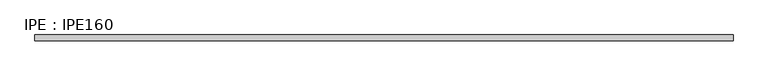
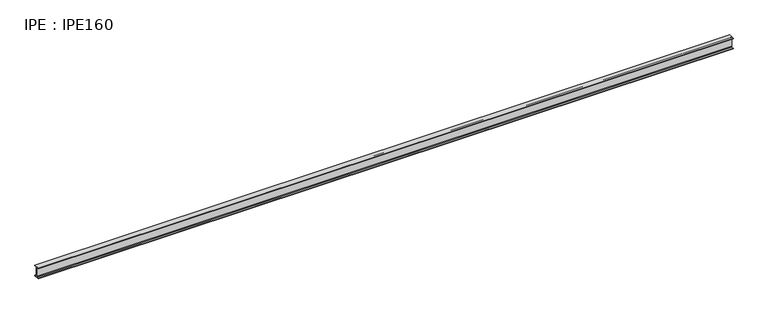
"""IFC4 building model written with IfcOpenShell, lengths in millimetres: beam geometry, IPE : IPE160."""

import ifcopenshell
import ifcopenshell.guid

model = None  # the IFC model being written
_history = None  # IfcOwnerHistory: only IFC2X3 demands one
_inside = {}  # id of a spatial element -> (the spatial element, [elements in it])
_under = {}  # id of a project, library or spatial element -> (it, [spatial elements below it])
_declared = {}  # id of a project -> (the project, [libraries it declares])
_typed = {}  # id of a type object -> (the type object, [elements of that type])
_made_of = {}  # id of a material, layer set ... -> (it, [elements and type objects made of it])


def new_model(schema):
    """Start an empty IFC model of exactly this schema.

    Asked for "IFC4X3", IfcOpenShell would pick the latest addendum, in which some entities
    have other attributes; the version numbers below select the first issue.
    IFC2X3 requires an IfcOwnerHistory on every rooted entity: one is made here for all.
    """
    global model, _history
    if schema == "IFC4X3":
        model = ifcopenshell.file(schema_version=(4, 3, 0, 0))
    else:
        model = ifcopenshell.file(schema=schema)
    _inside.clear()
    _under.clear()
    _declared.clear()
    _typed.clear()
    _made_of.clear()
    _history = None
    if model.schema == "IFC2X3":
        org = make("IfcOrganization", Name="unknown")
        user = make(
            "IfcPersonAndOrganization",
            ThePerson=make("IfcPerson", FamilyName="unknown"),
            TheOrganization=org,
        )
        app = make(
            "IfcApplication",
            ApplicationDeveloper=org,
            Version="unknown",
            ApplicationFullName="unknown",
            ApplicationIdentifier="unknown",
        )
        _history = make(
            "IfcOwnerHistory",
            OwningUser=user,
            OwningApplication=app,
            ChangeAction="ADDED",
            CreationDate=0,
        )
    return model


def make(cls, **values):
    """One entity of the class cls with the attributes given. An attribute that is None is left unset."""
    return model.create_entity(
        cls, **{name: value for name, value in values.items() if value is not None}
    )


def rooted(cls, **values):
    """An entity with a GlobalId (a new one), such as an element, a storey or a relation."""
    return make(cls, GlobalId=ifcopenshell.guid.new(), OwnerHistory=_history, **values)


def si_unit(unit_type, name, prefix=None):
    """IfcSIUnit, for example si_unit("LENGTHUNIT", "METRE", prefix="MILLI")."""
    return make("IfcSIUnit", UnitType=unit_type, Prefix=prefix, Name=name)


def assignment(units):
    """IfcUnitAssignment: the units of a project."""
    return None if units is None else make("IfcUnitAssignment", Units=units)


def point(xyz):
    """IfcCartesianPoint."""
    return None if xyz is None else make("IfcCartesianPoint", Coordinates=xyz)


def direction(xyz):
    """IfcDirection."""
    return None if xyz is None else make("IfcDirection", DirectionRatios=xyz)


def frame(location, z_axis=None, x_axis=None):
    """IfcAxis2Placement3D, a coordinate frame: its origin and axes. An axis left out is left unset."""
    return make(
        "IfcAxis2Placement3D",
        Location=point(location),
        Axis=direction(z_axis),
        RefDirection=direction(x_axis),
    )


def frame_2d(location, x_axis=None):
    """IfcAxis2Placement2D, a coordinate frame in the plane: its origin and x axis."""
    return make(
        "IfcAxis2Placement2D", Location=point(location), RefDirection=direction(x_axis)
    )


def origin():
    """The frame at (0, 0, 0) with its axes left unset."""
    return frame((0.0, 0.0, 0.0))


def place(relative_to, where):
    """IfcLocalPlacement: puts the frame where relative to a parent placement (None: the world)."""
    return make(
        "IfcLocalPlacement", PlacementRelTo=relative_to, RelativePlacement=where
    )


def context(
    kind, dimensions, precision=None, world=None, true_north=None, identifier=None
):
    """IfcGeometricRepresentationContext, for example the 3D "Model" context."""
    return make(
        "IfcGeometricRepresentationContext",
        ContextIdentifier=identifier,
        ContextType=kind,
        CoordinateSpaceDimension=dimensions,
        Precision=precision,
        WorldCoordinateSystem=world,
        TrueNorth=true_north,
    )


def project(units=None, contexts=None):
    """IfcProject with its units and contexts."""
    return rooted(
        "IfcProject",
        Name="project",
        RepresentationContexts=contexts,
        UnitsInContext=assignment(units),
    )


def spatial(cls, under=None, at=None, **own):
    """A site, building, storey or space (cls), placed at a placement, below another one or the project."""
    s = rooted(cls, ObjectPlacement=at, **own)
    if under is not None:
        _under.setdefault(under.id(), (under, []))[1].append(s)
    return s


def polyline(points):
    """IfcPolyline through the points."""
    return make("IfcPolyline", Points=[point(p) for p in points])


def circle_curve(where, radius):
    """IfcCircle in the frame where."""
    return make("IfcCircle", Position=where, Radius=radius)


def trimmed(basis, trim1, trim2, sense, master):
    """IfcTrimmedCurve: the piece of a basis curve between two trims."""
    return make(
        "IfcTrimmedCurve",
        BasisCurve=basis,
        Trim1=trim1,
        Trim2=trim2,
        SenseAgreement=sense,
        MasterRepresentation=master,
    )


def segment(curve, same_sense, transition):
    """IfcCompositeCurveSegment."""
    return make(
        "IfcCompositeCurveSegment",
        Transition=transition,
        SameSense=same_sense,
        ParentCurve=curve,
    )


def composite_curve(segments, self_intersect=None):
    """IfcCompositeCurve: segments joined end to end."""
    return make("IfcCompositeCurve", Segments=segments, SelfIntersect=self_intersect)


def outline(outer, holes=None, kind="AREA"):
    """IfcArbitraryClosedProfileDef: a profile drawn as a closed curve; with holes, ...WithVoids."""
    if holes is None:
        return make("IfcArbitraryClosedProfileDef", ProfileType=kind, OuterCurve=outer)
    return make(
        "IfcArbitraryProfileDefWithVoids",
        ProfileType=kind,
        OuterCurve=outer,
        InnerCurves=holes,
    )


def extrude(swept, where, along, depth):
    """IfcExtrudedAreaSolid: the profile swept, set in the frame where, extruded along a direction by depth."""
    return make(
        "IfcExtrudedAreaSolid",
        SweptArea=swept,
        Position=where,
        ExtrudedDirection=direction(along),
        Depth=depth,
    )


def shape(context_of_items, identifier, shape_type, items):
    """IfcShapeRepresentation: the items that make up one representation, for example the "Body"."""
    return make(
        "IfcShapeRepresentation",
        ContextOfItems=context_of_items,
        RepresentationIdentifier=identifier,
        RepresentationType=shape_type,
        Items=items,
    )


def source(mapping_origin, context_of_items, identifier, shape_type, items):
    """IfcRepresentationMap: a shape defined once, which mapped items show again and again."""
    return make(
        "IfcRepresentationMap",
        MappingOrigin=mapping_origin,
        MappedRepresentation=shape(context_of_items, identifier, shape_type, items),
    )


def transform(
    local_origin,
    x_axis=None,
    y_axis=None,
    z_axis=None,
    scale=None,
    scale2=None,
    scale3=None,
    uniform=True,
):
    """IfcCartesianTransformationOperator3D, or its non-uniform kind. x_axis, y_axis, z_axis: its Axis1, 2, 3."""
    if uniform:
        return make(
            "IfcCartesianTransformationOperator3D",
            Axis1=direction(x_axis),
            Axis2=direction(y_axis),
            LocalOrigin=point(local_origin),
            Scale=scale,
            Axis3=direction(z_axis),
        )
    return make(
        "IfcCartesianTransformationOperator3DnonUniform",
        Axis1=direction(x_axis),
        Axis2=direction(y_axis),
        LocalOrigin=point(local_origin),
        Scale=scale,
        Axis3=direction(z_axis),
        Scale2=scale2,
        Scale3=scale3,
    )


def mapped(mapping_source, mapping_target):
    """IfcMappedItem: shows the shape of a source again, moved by a transform."""
    return make(
        "IfcMappedItem", MappingSource=mapping_source, MappingTarget=mapping_target
    )


def made_of(thing, what):
    """Note that an element or type object is made of a material, layer set ...; save() writes the relation."""
    if what is not None:
        _made_of.setdefault(what.id(), (what, []))[1].append(thing)
    return thing


def element(
    cls,
    number,
    at=None,
    inside=None,
    cuts=None,
    type_object=None,
    material=None,
    context=None,
    identifier="Body",
    shape_type=None,
    held_by="IfcProductDefinitionShape",
    body=None,
    shapes=None,
    **own,
):
    """One element of the class cls, such as IfcWall. Its Tag is "e" and its number.

    at: its placement. inside: the storey or other place that contains it. cuts: it is an
    opening in that element (IfcRelVoidsElement). A single representation is given by context,
    identifier, shape_type and body (its items); several are given by shapes. held_by: the class
    of the entity that holds the representations. save() writes the other relations.
    """
    e = rooted(cls, Tag="e%d" % number, ObjectPlacement=at, **own)
    if body is not None:
        shapes = [shape(context, identifier, shape_type, body)]
    if shapes is not None:
        e.Representation = make(held_by, Representations=shapes)
    if inside is not None:
        _inside.setdefault(inside.id(), (inside, []))[1].append(e)
    if cuts is not None:
        rooted(
            "IfcRelVoidsElement", RelatingBuildingElement=cuts, RelatedOpeningElement=e
        )
    if type_object is not None:
        _typed.setdefault(type_object.id(), (type_object, []))[1].append(e)
    return made_of(e, material)


def aggregate(whole, parts):
    """IfcRelAggregates: a whole, such as a stair, and the parts it consists of."""
    return rooted("IfcRelAggregates", RelatingObject=whole, RelatedObjects=parts)


def save(model, path):
    """Write the relations noted so far, then the file.

    IfcRelAggregates (storeys below a building ...), IfcRelContainedInSpatialStructure (elements
    in a storey), IfcRelDefinesByType, IfcRelAssociatesMaterial and IfcRelDeclares: one each for
    every whole, place, type object, material and project.
    """
    for whole, parts in _under.values():
        aggregate(whole, parts)
    for where, things in _inside.values():
        rooted(
            "IfcRelContainedInSpatialStructure",
            RelatedElements=things,
            RelatingStructure=where,
        )
    for kind, things in _typed.values():
        rooted("IfcRelDefinesByType", RelatedObjects=things, RelatingType=kind)
    for what, things in _made_of.values():
        rooted("IfcRelAssociatesMaterial", RelatedObjects=things, RelatingMaterial=what)
    for by, libraries in _declared.values():
        rooted("IfcRelDeclares", RelatingContext=by, RelatedDefinitions=libraries)
    model.write(path)


def ipe_ipe160_06da6911(model_context):
    return source(origin(), model_context, "Body", "SweptSolid", [
        extrude(outline(composite_curve([segment(polyline([(41.0, -72.6), (41.0, -80.0), (-41.0, -80.0), (-41.0, -72.6), (-11.5, -72.6)]), True, "CONTINUOUS"), segment(trimmed(circle_curve(frame_2d((-11.5, -63.6)), 9.0), [point((-11.5, -72.6))], [point((-2.5, -63.6))], True, "CARTESIAN"), True, "CONTINUOUS"), segment(polyline([(-2.5, -63.6), (-2.5, 63.6)]), True, "CONTINUOUS"), segment(trimmed(circle_curve(frame_2d((-11.5, 63.6)), 9.0), [point((-2.5, 63.6))], [point((-11.5, 72.6))], True, "CARTESIAN"), True, "CONTINUOUS"), segment(polyline([(-11.5, 72.6), (-41.0, 72.6), (-41.0, 80.0), (41.0, 80.0), (41.0, 72.6), (11.5, 72.6)]), True, "CONTINUOUS"), segment(trimmed(circle_curve(frame_2d((11.5, 63.6)), 9.0), [point((11.5, 72.6))], [point((2.5, 63.6))], True, "CARTESIAN"), True, "CONTINUOUS"), segment(polyline([(2.5, 63.6), (2.5, -63.6)]), True, "CONTINUOUS"), segment(trimmed(circle_curve(frame_2d((11.5, -63.6)), 9.0), [point((2.5, -63.6))], [point((11.5, -72.6))], True, "CARTESIAN"), True, "CONTINUOUS"), segment(polyline([(11.5, -72.6), (41.0, -72.6)]), True, "CONTINUOUS")], self_intersect=False)), frame((-5009.8, 0.0, 0.0), z_axis=(1.0, 0.0, 0.0), x_axis=(0.0, 1.0, 0.0)), (0.0, 0.0, 1.0), 10006.9),
    ])


if __name__ == "__main__":
    model = new_model("IFC4")
    model_context = context("Model", 3, world=origin())
    ifc_project = project(units=[si_unit("LENGTHUNIT", "METRE", prefix="MILLI")], contexts=[model_context])
    site = spatial("IfcSite", under=ifc_project)
    building = spatial("IfcBuilding", under=site)
    placement = place(None, origin())
    ipe_ipe160_shape = ipe_ipe160_06da6911(model_context)
    element("IfcBeam", 1, ObjectType="IPE : IPE160", at=placement, inside=building, context=model_context, shape_type="MappedRepresentation", body=[
        mapped(ipe_ipe160_shape, transform((0.0, 0.0, 0.0), x_axis=(1.0, 0.0, 0.0), y_axis=(0.0, 1.0, 0.0), z_axis=(0.0, 0.0, 1.0))),
    ])
    save(model, "model.ifc")
